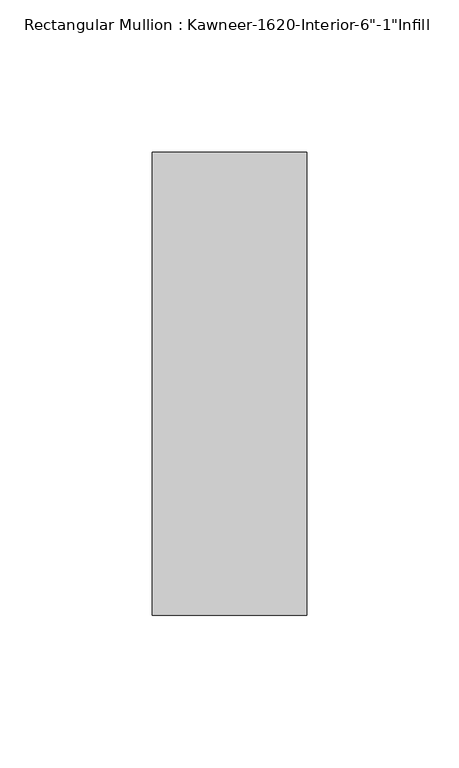
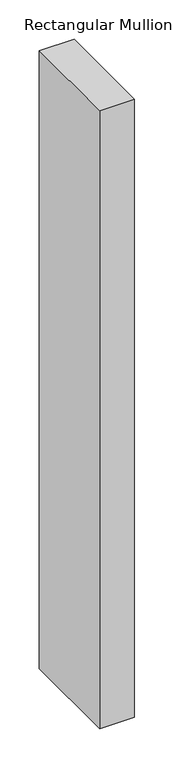
"""IFC4 building model written with IfcOpenShell, lengths in millimetres: member geometry."""

from ifc_helpers import new_model, si_unit, frame, origin, place, context, project, spatial, polyline, outline, extrude, source, transform, mapped, element, save


def member_520e377f(model_context):
    return source(origin(), model_context, "Body", "SweptSolid", [
        extrude(outline(polyline([(25.4, -114.3), (-25.4, -114.3), (-25.4, 38.1), (25.4, 38.1), (25.4, -114.3)])), frame((0.0, 0.0, -955.675), z_axis=(0.0, 0.0, 1.0), x_axis=(1.0, 0.0, 0.0)), (0.0, 0.0, 1.0), 955.675),
    ])


if __name__ == "__main__":
    model = new_model("IFC4")
    model_context = context("Model", 3, world=origin())
    ifc_project = project(units=[si_unit("LENGTHUNIT", "METRE", prefix="MILLI")], contexts=[model_context])
    site = spatial("IfcSite", under=ifc_project)
    building = spatial("IfcBuilding", under=site)
    placement = place(None, origin())
    member_shape = member_520e377f(model_context)
    element("IfcMember", 1, ObjectType="Rectangular Mullion : Kawneer-1620-Interior-6\"-1\"Infill", at=placement, inside=building, context=model_context, shape_type="MappedRepresentation", body=[
        mapped(member_shape, transform((0.0, 0.0, 0.0), x_axis=(1.0, 0.0, 0.0), y_axis=(0.0, 1.0, 0.0), z_axis=(0.0, 0.0, 1.0))),
    ])
    save(model, "model.ifc")
